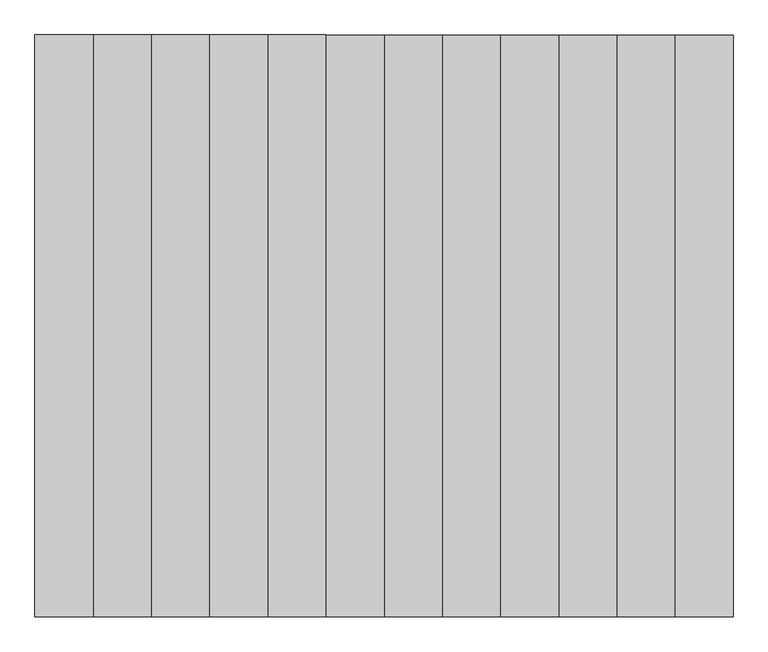
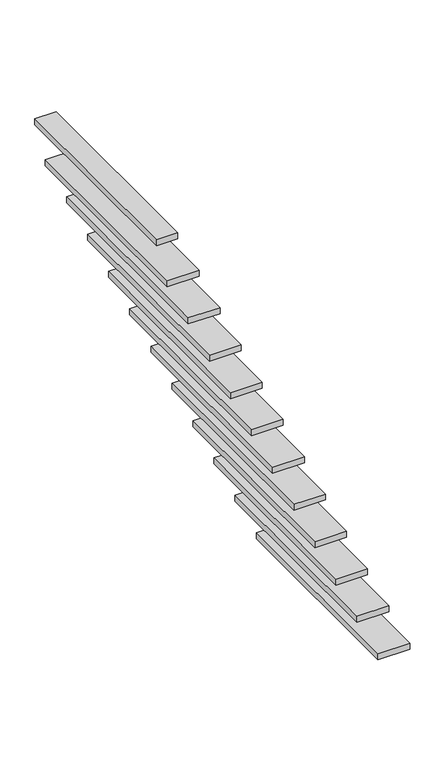
"""IFC4 building model written with IfcOpenShell, lengths in millimetres: stair flight geometry."""

from ifc_helpers import new_model, si_unit, frame, origin, place, context, project, spatial, polyline, outline, extrude, source, transform, mapped, element, save


def stair_flight_2b989945(model_context):
    return source(origin(), model_context, "Body", "SweptSolid", [
        extrude(outline(polyline([(99088.8965483, 100801.1773545), (99088.8965483, 101801.1773545), (99238.8965483, 101801.1773545), (99238.8965483, 100801.1773545), (99088.8965483, 100801.1773545)])), frame((0.0, 0.0, -5131.9615385), z_axis=(0.0, 0.0, 1.0), x_axis=(1.0, 0.0, 0.0)), (0.0, 0.0, 1.0), 30.0),
        extrude(outline(polyline([(98988.8965483, 100801.1773545), (98988.8965483, 101801.1773545), (99138.8965483, 101801.1773545), (99138.8965483, 100801.1773545), (98988.8965483, 100801.1773545)])), frame((0.0, 0.0, -4910.1730769), z_axis=(0.0, 0.0, 1.0), x_axis=(1.0, 0.0, 0.0)), (0.0, 0.0, 1.0), 30.0),
        extrude(outline(polyline([(98888.8965483, 100801.1773545), (98888.8965483, 101801.1773545), (99038.8965483, 101801.1773545), (99038.8965483, 100801.1773545), (98888.8965483, 100801.1773545)])), frame((0.0, 0.0, -4688.3846154), z_axis=(0.0, 0.0, 1.0), x_axis=(1.0, 0.0, 0.0)), (0.0, 0.0, 1.0), 30.0),
        extrude(outline(polyline([(98788.8965483, 100801.1773545), (98788.8965483, 101801.1773545), (98938.8965483, 101801.1773545), (98938.8965483, 100801.1773545), (98788.8965483, 100801.1773545)])), frame((0.0, 0.0, -4466.5961538), z_axis=(0.0, 0.0, 1.0), x_axis=(1.0, 0.0, 0.0)), (0.0, 0.0, 1.0), 30.0),
        extrude(outline(polyline([(98688.8965483, 100801.1773545), (98688.8965483, 101801.1773545), (98838.8965483, 101801.1773545), (98838.8965483, 100801.1773545), (98688.8965483, 100801.1773545)])), frame((0.0, 0.0, -4244.8076923), z_axis=(0.0, 0.0, 1.0), x_axis=(1.0, 0.0, 0.0)), (0.0, 0.0, 1.0), 30.0),
        extrude(outline(polyline([(98588.8965483, 100801.1773545), (98588.8965483, 101801.1773545), (98738.8965483, 101801.1773545), (98738.8965483, 100801.1773545), (98588.8965483, 100801.1773545)])), frame((0.0, 0.0, -4023.0192308), z_axis=(0.0, 0.0, 1.0), x_axis=(1.0, 0.0, 0.0)), (0.0, 0.0, 1.0), 30.0),
        extrude(outline(polyline([(98488.8965483, 100801.1773545), (98488.8965483, 101801.1773545), (98638.8965483, 101801.1773545), (98638.8965483, 100801.1773545), (98488.8965483, 100801.1773545)])), frame((0.0, 0.0, -3801.2307692), z_axis=(0.0, 0.0, 1.0), x_axis=(1.0, 0.0, 0.0)), (0.0, 0.0, 1.0), 30.0),
        extrude(outline(polyline([(98388.8965483, 100801.1773545), (98388.8965483, 101801.1773545), (98538.8965483, 101801.1773545), (98538.8965483, 100801.1773545), (98388.8965483, 100801.1773545)])), frame((0.0, 0.0, -3579.4423077), z_axis=(0.0, 0.0, 1.0), x_axis=(1.0, 0.0, 0.0)), (0.0, 0.0, 1.0), 30.0),
        extrude(outline(polyline([(98288.8965483, 100801.1773545), (98288.8965483, 101801.1773545), (98438.8965483, 101801.1773545), (98438.8965483, 100801.1773545), (98288.8965483, 100801.1773545)])), frame((0.0, 0.0, -3357.6538462), z_axis=(0.0, 0.0, 1.0), x_axis=(1.0, 0.0, 0.0)), (0.0, 0.0, 1.0), 30.0),
        extrude(outline(polyline([(98188.8965483, 100801.1773545), (98188.8965483, 101801.1773545), (98338.8965483, 101801.1773545), (98338.8965483, 100801.1773545), (98188.8965483, 100801.1773545)])), frame((0.0, 0.0, -3135.8653846), z_axis=(0.0, 0.0, 1.0), x_axis=(1.0, 0.0, 0.0)), (0.0, 0.0, 1.0), 30.0),
        extrude(outline(polyline([(98088.8965483, 100801.1773545), (98088.8965483, 101801.1773545), (98238.8965483, 101801.1773545), (98238.8965483, 100801.1773545), (98088.8965483, 100801.1773545)])), frame((0.0, 0.0, -2914.0769231), z_axis=(0.0, 0.0, 1.0), x_axis=(1.0, 0.0, 0.0)), (0.0, 0.0, 1.0), 30.0),
        extrude(outline(polyline([(98038.8965483, 100801.1773545), (98038.8965483, 101801.1773545), (98138.8965483, 101801.1773545), (98138.8965483, 100801.1773545), (98038.8965483, 100801.1773545)])), frame((0.0, 0.0, -2692.2884615), z_axis=(0.0, 0.0, 1.0), x_axis=(1.0, 0.0, 0.0)), (0.0, 0.0, 1.0), 30.0),
    ])


if __name__ == "__main__":
    model = new_model("IFC4")
    model_context = context("Model", 3, world=origin())
    ifc_project = project(units=[si_unit("LENGTHUNIT", "METRE", prefix="MILLI")], contexts=[model_context])
    site = spatial("IfcSite", under=ifc_project)
    building = spatial("IfcBuilding", under=site)
    placement = place(None, origin())
    stair_flight_shape = stair_flight_2b989945(model_context)
    element("IfcStairFlight", 1, at=placement, inside=building, context=model_context, shape_type="MappedRepresentation", body=[
        mapped(stair_flight_shape, transform((0.0, 0.0, 0.0), x_axis=(1.0, 0.0, 0.0), y_axis=(0.0, 1.0, 0.0), z_axis=(0.0, 0.0, 1.0))),
    ])
    save(model, "model.ifc")
